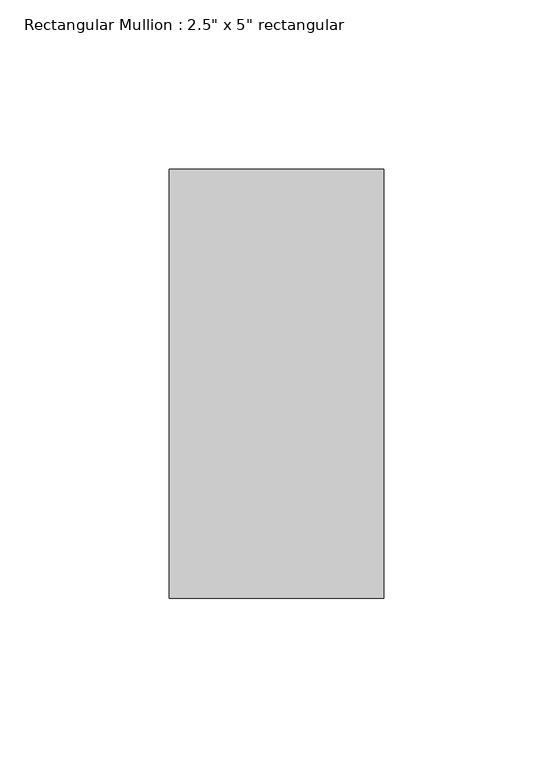
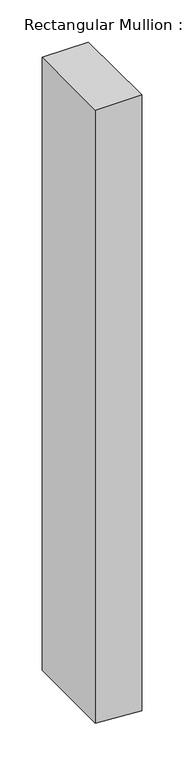
"""IFC4 building model written with IfcOpenShell, lengths in millimetres: member geometry."""

from ifc_helpers import new_model, si_unit, frame, origin, place, context, project, spatial, polyline, outline, extrude, source, transform, mapped, element, save


def member_63f228ba(model_context):
    return source(origin(), model_context, "Body", "SweptSolid", [
        extrude(outline(polyline([(0.0, 31.75), (0.0, -31.75), (-890.5629955, -31.75), (-892.9404116, 4.1926119), (-894.7638777, 31.75), (0.0, 31.75)])), frame((0.0, -63.5, 0.0), z_axis=(0.0, 1.0, 0.0), x_axis=(0.0, 0.0, 1.0)), (0.0, 0.0, 1.0), 127.0),
    ])


if __name__ == "__main__":
    model = new_model("IFC4")
    model_context = context("Model", 3, world=origin())
    ifc_project = project(units=[si_unit("LENGTHUNIT", "METRE", prefix="MILLI")], contexts=[model_context])
    site = spatial("IfcSite", under=ifc_project)
    building = spatial("IfcBuilding", under=site)
    placement = place(None, origin())
    member_shape = member_63f228ba(model_context)
    element("IfcMember", 1, ObjectType="Rectangular Mullion : 2.5\" x 5\" rectangular", at=placement, inside=building, context=model_context, shape_type="MappedRepresentation", body=[
        mapped(member_shape, transform((0.0, 0.0, 0.0), x_axis=(1.0, 0.0, 0.0), y_axis=(0.0, 1.0, 0.0), z_axis=(0.0, 0.0, 1.0))),
    ])
    save(model, "model.ifc")
